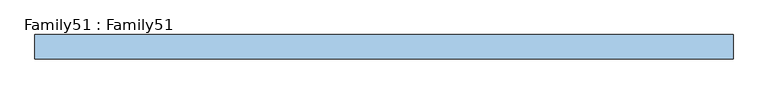
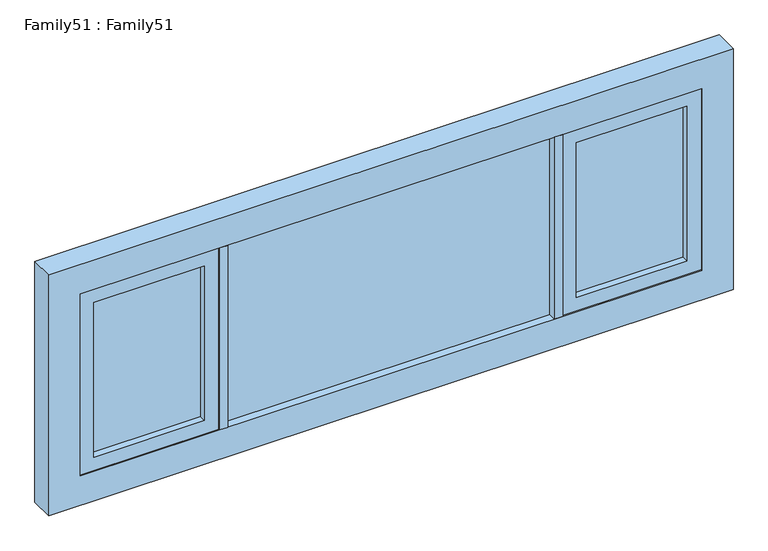
"""IFC4 building model written with IfcOpenShell, lengths in millimetres: window geometry, Family51 : Family51."""

from ifc_helpers import new_model, si_unit, frame, origin, place, context, project, spatial, polyline, outline, extrude, source, transform, mapped, element, save


def family51_family51_46b64f68(model_context):
    return source(origin(), model_context, "Body", "SweptSolid", [
        extrude(outline(polyline([(570.0, 14.0), (570.0, 10.0), (-570.0, 10.0), (-570.0, 14.0), (570.0, 14.0)])), frame((0.0, 0.0, 909.0), z_axis=(0.0, 0.0, 1.0), x_axis=(1.0, 0.0, 0.0)), (0.0, 0.0, 1.0), 672.0),
        extrude(outline(polyline([(-570.0, -10.0), (570.0, -10.0), (570.0, -14.0), (-570.0, -14.0), (-570.0, -10.0)])), frame((0.0, 0.0, 909.0), z_axis=(0.0, 0.0, 1.0), x_axis=(1.0, 0.0, 0.0)), (0.0, 0.0, 1.0), 672.0),
        extrude(outline(polyline([(-650.0, 14.0), (-650.0, 10.0), (-1036.0, 10.0), (-1036.0, 14.0), (-650.0, 14.0)])), frame((0.0, 0.0, 959.0), z_axis=(0.0, 0.0, 1.0), x_axis=(1.0, 0.0, 0.0)), (0.0, 0.0, 1.0), 572.0),
        extrude(outline(polyline([(-650.0, -10.0), (-650.0, -14.0), (-1036.0, -14.0), (-1036.0, -10.0), (-650.0, -10.0)])), frame((0.0, 0.0, 959.0), z_axis=(0.0, 0.0, 1.0), x_axis=(1.0, 0.0, 0.0)), (0.0, 0.0, 1.0), 572.0),
        extrude(outline(polyline([(1036.0, 14.0), (1036.0, 10.0), (650.0, 10.0), (650.0, 14.0), (1036.0, 14.0)])), frame((0.0, 0.0, 959.0), z_axis=(0.0, 0.0, 1.0), x_axis=(1.0, 0.0, 0.0)), (0.0, 0.0, 1.0), 572.0),
        extrude(outline(polyline([(650.0, -10.0), (1036.0, -10.0), (1036.0, -14.0), (650.0, -14.0), (650.0, -10.0)])), frame((0.0, 0.0, 959.0), z_axis=(0.0, 0.0, 1.0), x_axis=(1.0, 0.0, 0.0)), (0.0, 0.0, 1.0), 572.0),
        extrude(outline(polyline([(600.0, -42.0), (570.0, -42.0), (570.0, 42.0), (600.0, 42.0), (600.0, -42.0)])), frame((0.0, 0.0, 909.0), z_axis=(0.0, 0.0, 1.0), x_axis=(1.0, 0.0, 0.0)), (0.0, 0.0, 1.0), 672.0),
        extrude(outline(polyline([(-570.0, -42.0), (-600.0, -42.0), (-600.0, 42.0), (-570.0, 42.0), (-570.0, -42.0)])), frame((0.0, 0.0, 909.0), z_axis=(0.0, 0.0, 1.0), x_axis=(1.0, 0.0, 0.0)), (0.0, 0.0, 1.0), 672.0),
        extrude(outline(polyline([(1581.0, 600.0), (909.0, 600.0), (909.0, 1086.0), (1581.0, 1086.0), (1581.0, 600.0)]), holes=[polyline([(959.0, 650.0), (1531.0, 650.0), (1531.0, 1036.0), (959.0, 1036.0), (959.0, 650.0)])]), frame((0.0, -38.0, 0.0), z_axis=(0.0, 1.0, 0.0), x_axis=(0.0, 0.0, 1.0)), (0.0, 0.0, 1.0), 76.0),
        extrude(outline(polyline([(1581.0, -600.0), (1581.0, -1086.0), (909.0, -1086.0), (909.0, -600.0), (1581.0, -600.0)]), holes=[polyline([(959.0, -650.0), (959.0, -1036.0), (1531.0, -1036.0), (1531.0, -650.0), (959.0, -650.0)])]), frame((0.0, -38.0, 0.0), z_axis=(0.0, 1.0, 0.0), x_axis=(0.0, 0.0, 1.0)), (0.0, 0.0, 1.0), 76.0),
        extrude(outline(polyline([(1690.0, 1195.0), (1690.0, -1195.0), (800.0, -1195.0), (800.0, 1195.0), (1690.0, 1195.0)]), holes=[polyline([(909.0, 1086.0), (909.0, -1086.0), (1581.0, -1086.0), (1581.0, 1086.0), (909.0, 1086.0)])]), frame((0.0, -42.0, 0.0), z_axis=(0.0, 1.0, 0.0), x_axis=(0.0, 0.0, 1.0)), (0.0, 0.0, 1.0), 84.0),
    ])


if __name__ == "__main__":
    model = new_model("IFC4")
    model_context = context("Model", 3, world=origin())
    ifc_project = project(units=[si_unit("LENGTHUNIT", "METRE", prefix="MILLI")], contexts=[model_context])
    site = spatial("IfcSite", under=ifc_project)
    building = spatial("IfcBuilding", under=site)
    placement = place(None, origin())
    family51_family51_shape = family51_family51_46b64f68(model_context)
    element("IfcWindow", 1, ObjectType="Family51 : Family51", at=placement, inside=building, context=model_context, shape_type="MappedRepresentation", body=[
        mapped(family51_family51_shape, transform((0.0, 0.0, 0.0), x_axis=(1.0, 0.0, 0.0), y_axis=(0.0, 1.0, 0.0), z_axis=(0.0, 0.0, 1.0))),
    ])
    save(model, "model.ifc")
